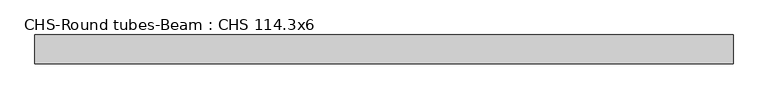
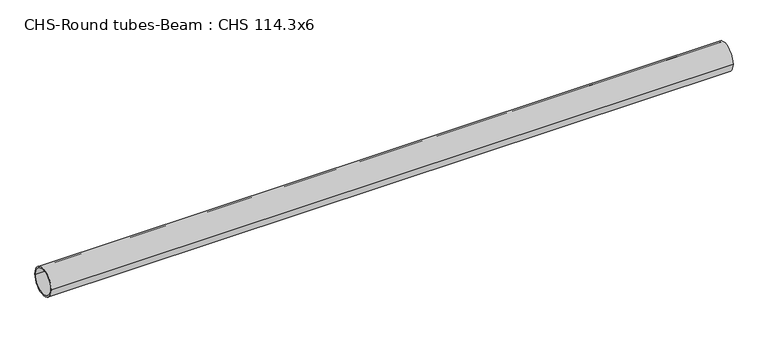
"""IFC4 building model written with IfcOpenShell, lengths in millimetres: beam geometry, CHS-Round tubes-Beam : CHS 114.3x6."""

from ifc_helpers import new_model, si_unit, point, frame, origin, origin_2d, place, context, project, spatial, circle_curve, trimmed, segment, composite_curve, outline, extrude, source, transform, mapped, element, save


def chs_round_tubes_beam_chs_114_3x6_9eb15ac1(model_context):
    return source(origin(), model_context, "Body", "SweptSolid", [
        extrude(outline(composite_curve([segment(trimmed(circle_curve(origin_2d(), 57.15), [point((57.15, 0.0))], [point((-57.15, 0.0))], False, "CARTESIAN"), True, "CONTINUOUS"), segment(trimmed(circle_curve(origin_2d(), 57.15), [point((-57.15, 0.0))], [point((57.15, 0.0))], False, "CARTESIAN"), True, "CONTINUOUS")], self_intersect=False), holes=[composite_curve([segment(trimmed(circle_curve(origin_2d(), 51.15), [point((51.15, 0.0))], [point((-51.15, 0.0))], True, "CARTESIAN"), True, "CONTINUOUS"), segment(trimmed(circle_curve(origin_2d(), 51.15), [point((-51.15, 0.0))], [point((51.15, 0.0))], True, "CARTESIAN"), True, "CONTINUOUS")], self_intersect=False)]), frame((-1347.5132317, 0.0, 0.0), z_axis=(1.0, 0.0, 0.0), x_axis=(0.0, 1.0, 0.0)), (0.0, 0.0, 1.0), 2781.3822546),
    ])


if __name__ == "__main__":
    model = new_model("IFC4")
    model_context = context("Model", 3, world=origin())
    ifc_project = project(units=[si_unit("LENGTHUNIT", "METRE", prefix="MILLI")], contexts=[model_context])
    site = spatial("IfcSite", under=ifc_project)
    building = spatial("IfcBuilding", under=site)
    placement = place(None, origin())
    chs_round_tubes_beam_chs_114_3x6_shape = chs_round_tubes_beam_chs_114_3x6_9eb15ac1(model_context)
    element("IfcBeam", 1, ObjectType="CHS-Round tubes-Beam : CHS 114.3x6", at=placement, inside=building, context=model_context, shape_type="MappedRepresentation", body=[
        mapped(chs_round_tubes_beam_chs_114_3x6_shape, transform((0.0, 0.0, 0.0), x_axis=(1.0, 0.0, 0.0), y_axis=(0.0, 1.0, 0.0), z_axis=(0.0, 0.0, 1.0))),
    ])
    save(model, "model.ifc")
